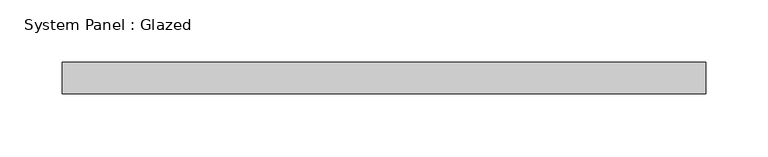
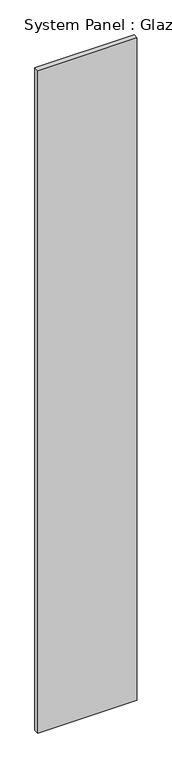
"""IFC4 building model written with IfcOpenShell, lengths in millimetres: plate geometry, System Panel : Glazed."""

from ifc_helpers import new_model, si_unit, origin, origin_with_axes, place, context, project, spatial, polyline, outline, extrude, source, transform, mapped, element, save


def system_panel_glazed_165de01a(model_context):
    return source(origin(), model_context, "Body", "SweptSolid", [
        extrude(outline(polyline([(259.0371326, 19.05), (-259.0371326, 19.05), (-259.0371326, 44.45), (259.0371326, 44.45), (259.0371326, 19.05)])), origin_with_axes(), (0.0, 0.0, 1.0), 3657.6),
    ])


if __name__ == "__main__":
    model = new_model("IFC4")
    model_context = context("Model", 3, world=origin())
    ifc_project = project(units=[si_unit("LENGTHUNIT", "METRE", prefix="MILLI")], contexts=[model_context])
    site = spatial("IfcSite", under=ifc_project)
    building = spatial("IfcBuilding", under=site)
    placement = place(None, origin())
    system_panel_glazed_shape = system_panel_glazed_165de01a(model_context)
    element("IfcPlate", 1, ObjectType="System Panel : Glazed", at=placement, inside=building, context=model_context, shape_type="MappedRepresentation", body=[
        mapped(system_panel_glazed_shape, transform((0.0, 0.0, 0.0), x_axis=(1.0, 0.0, 0.0), y_axis=(0.0, 1.0, 0.0), z_axis=(0.0, 0.0, 1.0))),
    ])
    save(model, "model.ifc")
